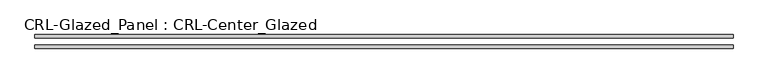
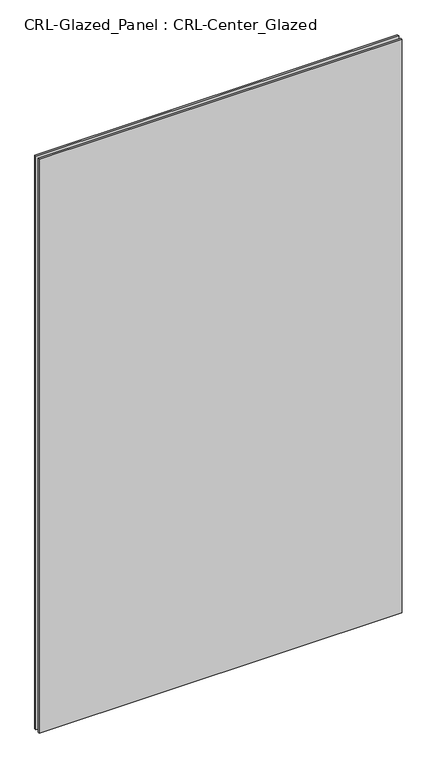
"""IFC4 building model written with IfcOpenShell, lengths in millimetres: plate geometry, CRL-Glazed_Panel : CRL-Center_Glazed."""

from ifc_helpers import new_model, si_unit, origin, origin_with_axes, place, context, project, spatial, polyline, outline, extrude, source, transform, mapped, element, save


def crl_glazed_panel_crl_center_glazed_846dc480(model_context):
    return source(origin(), model_context, "Body", "SweptSolid", [
        extrude(outline(polyline([(629.8195844, 12.7), (629.8195844, 6.35), (-629.8195844, 6.35), (-629.8195844, 12.7), (629.8195844, 12.7)])), origin_with_axes(), (0.0, 0.0, 1.0), 2104.5435008),
        extrude(outline(polyline([(-629.8195844, -6.35), (629.8195844, -6.35), (629.8195844, -12.7), (-629.8195844, -12.7), (-629.8195844, -6.35)])), origin_with_axes(), (0.0, 0.0, 1.0), 2104.5435008),
    ])


if __name__ == "__main__":
    model = new_model("IFC4")
    model_context = context("Model", 3, world=origin())
    ifc_project = project(units=[si_unit("LENGTHUNIT", "METRE", prefix="MILLI")], contexts=[model_context])
    site = spatial("IfcSite", under=ifc_project)
    building = spatial("IfcBuilding", under=site)
    placement = place(None, origin())
    crl_glazed_panel_crl_center_glazed_shape = crl_glazed_panel_crl_center_glazed_846dc480(model_context)
    element("IfcPlate", 1, ObjectType="CRL-Glazed_Panel : CRL-Center_Glazed", at=placement, inside=building, context=model_context, shape_type="MappedRepresentation", body=[
        mapped(crl_glazed_panel_crl_center_glazed_shape, transform((0.0, 0.0, 0.0), x_axis=(1.0, 0.0, 0.0), y_axis=(0.0, 1.0, 0.0), z_axis=(0.0, 0.0, 1.0))),
    ])
    save(model, "model.ifc")
